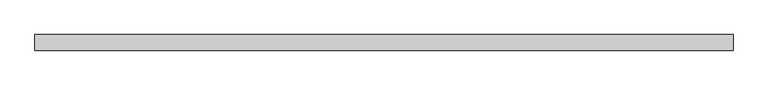
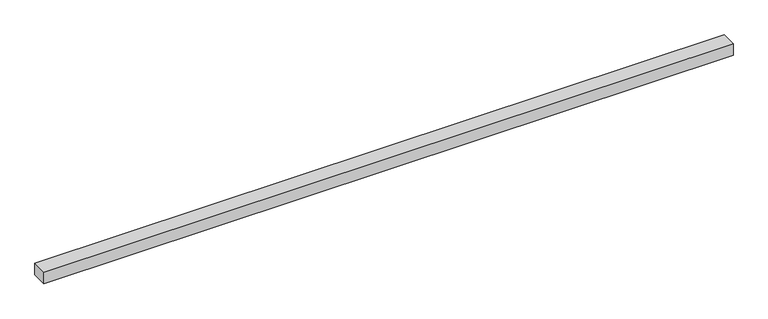
"""IFC4 building model written with IfcOpenShell, lengths in millimetres: geographic element geometry."""

from ifc_helpers import new_model, si_unit, origin, origin_with_axes, place, context, project, spatial, polyline, outline, extrude, source, transform, mapped, element, save


def geographic_element_3813c259(model_context):
    return source(origin(), model_context, "Body", "SweptSolid", [
        extrude(outline(polyline([(0.0, 0.0), (0.0, 500.0), (22371.1893093, 500.0), (22371.1893093, 0.0), (0.0, 0.0)])), origin_with_axes(), (0.0, 0.0, 1.0), 400.0),
    ])


if __name__ == "__main__":
    model = new_model("IFC4")
    model_context = context("Model", 3, world=origin())
    ifc_project = project(units=[si_unit("LENGTHUNIT", "METRE", prefix="MILLI")], contexts=[model_context])
    site = spatial("IfcSite", under=ifc_project)
    building = spatial("IfcBuilding", under=site)
    placement = place(None, origin())
    geographic_element_shape = geographic_element_3813c259(model_context)
    element("IfcGeographicElement", 1, at=placement, inside=building, context=model_context, shape_type="MappedRepresentation", body=[
        mapped(geographic_element_shape, transform((0.0, 0.0, 0.0), x_axis=(1.0, 0.0, 0.0), y_axis=(0.0, 1.0, 0.0), z_axis=(0.0, 0.0, 1.0))),
    ])
    save(model, "model.ifc")
